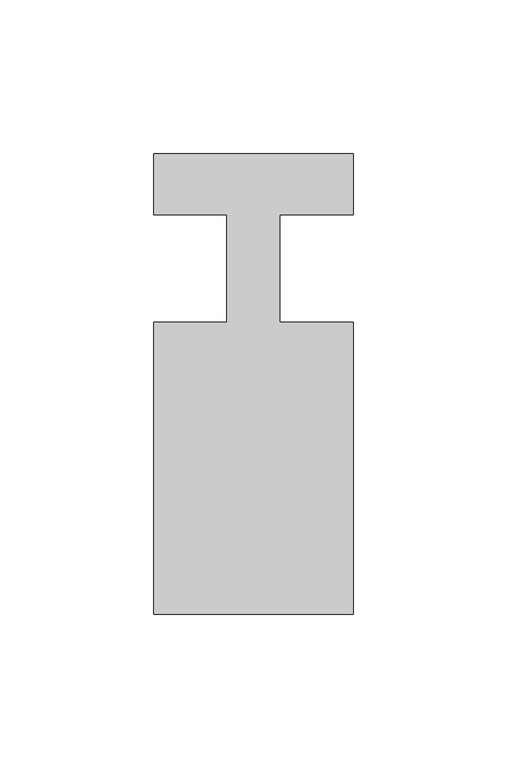
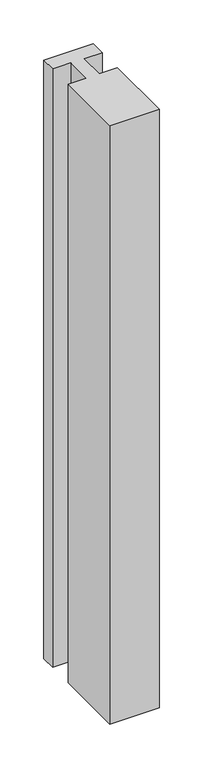
"""IFC4 building model written with IfcOpenShell, lengths in millimetres: member geometry."""

from ifc_helpers import new_model, si_unit, frame, origin, place, context, project, spatial, polyline, outline, extrude, source, transform, mapped, element, save


def member_2da76fbd(model_context):
    return source(origin(), model_context, "Body", "SweptSolid", [
        extrude(outline(polyline([(-65.0, 37.0), (0.0, 37.0), (0.0, 17.0), (-23.8125, 17.0), (-23.8125, -18.0), (0.0, -18.0), (0.0, -113.0), (-65.0, -113.0), (-65.0, -18.0), (-41.1875, -18.0), (-41.1875, 17.0), (-65.0, 17.0), (-65.0, 37.0)])), frame((0.0, 0.0, -832.5), z_axis=(0.0, 0.0, 1.0), x_axis=(1.0, 0.0, 0.0)), (0.0, 0.0, 1.0), 832.5),
    ])


if __name__ == "__main__":
    model = new_model("IFC4")
    model_context = context("Model", 3, world=origin())
    ifc_project = project(units=[si_unit("LENGTHUNIT", "METRE", prefix="MILLI")], contexts=[model_context])
    site = spatial("IfcSite", under=ifc_project)
    building = spatial("IfcBuilding", under=site)
    placement = place(None, origin())
    member_shape = member_2da76fbd(model_context)
    element("IfcMember", 1, at=placement, inside=building, context=model_context, shape_type="MappedRepresentation", body=[
        mapped(member_shape, transform((0.0, 0.0, 0.0), x_axis=(1.0, 0.0, 0.0), y_axis=(0.0, 1.0, 0.0), z_axis=(0.0, 0.0, 1.0))),
    ])
    save(model, "model.ifc")
